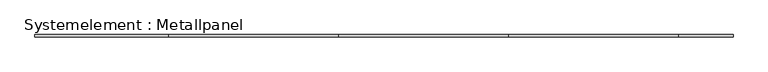
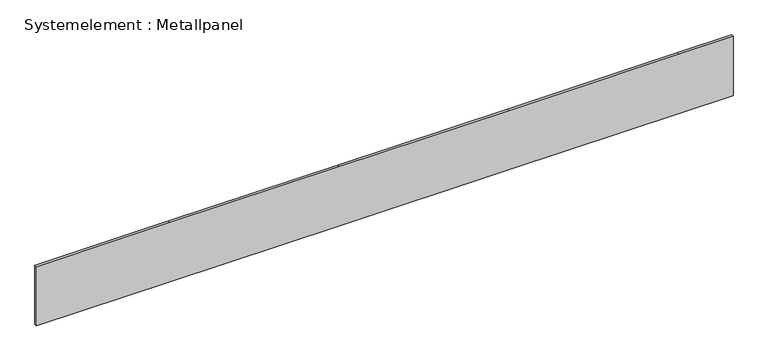
"""IFC4 building model written with IfcOpenShell, lengths in millimetres: plate geometry, Systemelement : Metallpanel."""

from ifc_helpers import new_model, si_unit, frame, origin, place, context, project, spatial, polyline, outline, extrude, source, transform, mapped, element, save


def systemelement_metallpanel_412cd30a(model_context):
    return source(origin(), model_context, "Body", "SweptSolid", [
        extrude(outline(polyline([(0.0, -4107.4999988), (0.0, -2533.4527394), (0.0, -533.4527394), (0.0, 1466.5472606), (0.0, 3466.5472606), (0.0, 4107.4999988), (740.0, 4107.4999988), (740.0, 3466.5472606), (740.0, 1466.5472606), (740.0, -533.4527394), (740.0, -2533.4527394), (740.0, -4107.4999988), (0.0, -4107.4999988)])), frame((0.0, -15.0, 0.0), z_axis=(0.0, 1.0, 0.0), x_axis=(0.0, 0.0, 1.0)), (0.0, 0.0, 1.0), 30.0),
    ])


if __name__ == "__main__":
    model = new_model("IFC4")
    model_context = context("Model", 3, world=origin())
    ifc_project = project(units=[si_unit("LENGTHUNIT", "METRE", prefix="MILLI")], contexts=[model_context])
    site = spatial("IfcSite", under=ifc_project)
    building = spatial("IfcBuilding", under=site)
    placement = place(None, origin())
    systemelement_metallpanel_shape = systemelement_metallpanel_412cd30a(model_context)
    element("IfcPlate", 1, ObjectType="Systemelement : Metallpanel", at=placement, inside=building, context=model_context, shape_type="MappedRepresentation", body=[
        mapped(systemelement_metallpanel_shape, transform((0.0, 0.0, 0.0), x_axis=(1.0, 0.0, 0.0), y_axis=(0.0, 1.0, 0.0), z_axis=(0.0, 0.0, 1.0))),
    ])
    save(model, "model.ifc")
